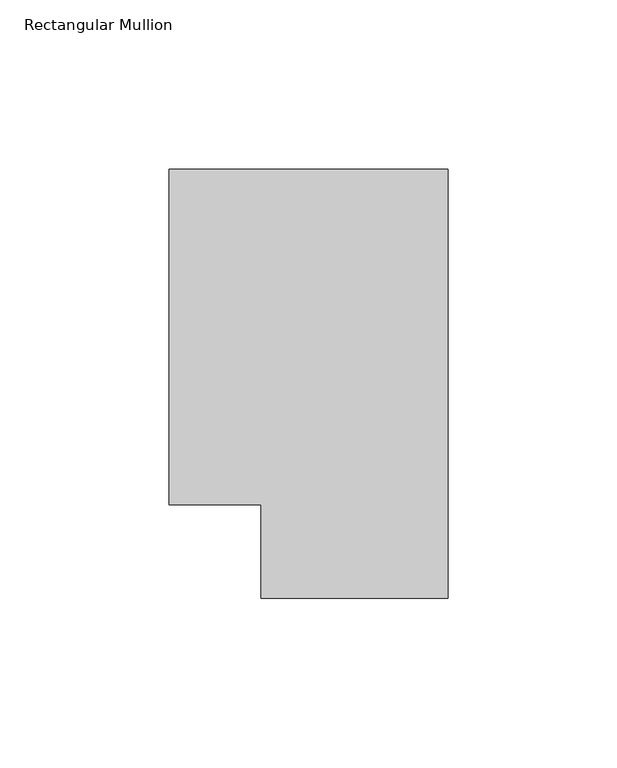
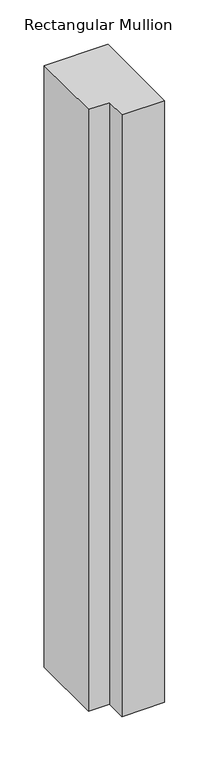
"""IFC4 building model written with IfcOpenShell, lengths in millimetres: member geometry, Rectangular Mullion."""

from ifc_helpers import new_model, si_unit, frame, origin, place, context, project, spatial, polyline, outline, extrude, source, transform, mapped, element, save


def rectangular_mullion_f9a2a3fb(model_context):
    return source(origin(), model_context, "Body", "SweptSolid", [
        extrude(outline(polyline([(0.0, 138.7038437), (0.0, 11.7059608), (-55.3125404, 11.7059608), (-55.3125404, 39.3898437), (-82.55, 39.3898437), (-82.55, 138.7038437), (0.0, 138.7038437)])), frame((0.0, 0.0, -825.4909101), z_axis=(0.0, 0.0, 1.0), x_axis=(1.0, 0.0, 0.0)), (0.0, 0.0, 1.0), 825.4909101),
    ])


if __name__ == "__main__":
    model = new_model("IFC4")
    model_context = context("Model", 3, world=origin())
    ifc_project = project(units=[si_unit("LENGTHUNIT", "METRE", prefix="MILLI")], contexts=[model_context])
    site = spatial("IfcSite", under=ifc_project)
    building = spatial("IfcBuilding", under=site)
    placement = place(None, origin())
    rectangular_mullion_shape = rectangular_mullion_f9a2a3fb(model_context)
    element("IfcMember", 1, ObjectType="Rectangular Mullion", at=placement, inside=building, context=model_context, shape_type="MappedRepresentation", body=[
        mapped(rectangular_mullion_shape, transform((0.0, 0.0, 0.0), x_axis=(1.0, 0.0, 0.0), y_axis=(0.0, 1.0, 0.0), z_axis=(0.0, 0.0, 1.0))),
    ])
    save(model, "model.ifc")
